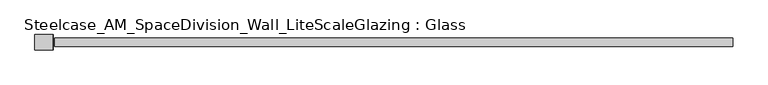
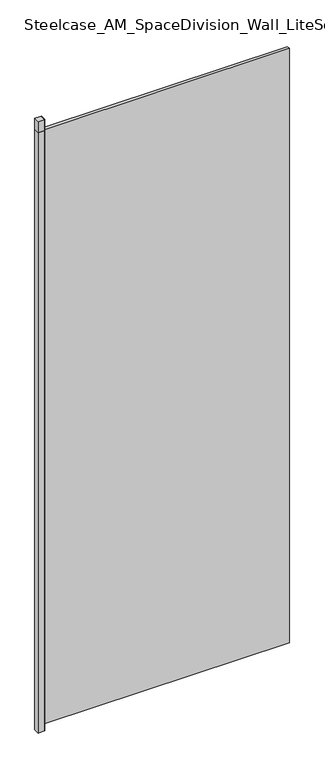
"""IFC4 building model written with IfcOpenShell, lengths in millimetres: plate geometry, Steelcase_AM_SpaceDivision_Wall_LiteScaleGlazing : Glass."""

import ifcopenshell
import ifcopenshell.guid

model = None  # the IFC model being written
_history = None  # IfcOwnerHistory: only IFC2X3 demands one
_inside = {}  # id of a spatial element -> (the spatial element, [elements in it])
_under = {}  # id of a project, library or spatial element -> (it, [spatial elements below it])
_declared = {}  # id of a project -> (the project, [libraries it declares])
_typed = {}  # id of a type object -> (the type object, [elements of that type])
_made_of = {}  # id of a material, layer set ... -> (it, [elements and type objects made of it])


def new_model(schema):
    """Start an empty IFC model of exactly this schema.

    Asked for "IFC4X3", IfcOpenShell would pick the latest addendum, in which some entities
    have other attributes; the version numbers below select the first issue.
    IFC2X3 requires an IfcOwnerHistory on every rooted entity: one is made here for all.
    """
    global model, _history
    if schema == "IFC4X3":
        model = ifcopenshell.file(schema_version=(4, 3, 0, 0))
    else:
        model = ifcopenshell.file(schema=schema)
    _inside.clear()
    _under.clear()
    _declared.clear()
    _typed.clear()
    _made_of.clear()
    _history = None
    if model.schema == "IFC2X3":
        org = make("IfcOrganization", Name="unknown")
        user = make(
            "IfcPersonAndOrganization",
            ThePerson=make("IfcPerson", FamilyName="unknown"),
            TheOrganization=org,
        )
        app = make(
            "IfcApplication",
            ApplicationDeveloper=org,
            Version="unknown",
            ApplicationFullName="unknown",
            ApplicationIdentifier="unknown",
        )
        _history = make(
            "IfcOwnerHistory",
            OwningUser=user,
            OwningApplication=app,
            ChangeAction="ADDED",
            CreationDate=0,
        )
    return model


def make(cls, **values):
    """One entity of the class cls with the attributes given. An attribute that is None is left unset."""
    return model.create_entity(
        cls, **{name: value for name, value in values.items() if value is not None}
    )


def rooted(cls, **values):
    """An entity with a GlobalId (a new one), such as an element, a storey or a relation."""
    return make(cls, GlobalId=ifcopenshell.guid.new(), OwnerHistory=_history, **values)


def si_unit(unit_type, name, prefix=None):
    """IfcSIUnit, for example si_unit("LENGTHUNIT", "METRE", prefix="MILLI")."""
    return make("IfcSIUnit", UnitType=unit_type, Prefix=prefix, Name=name)


def assignment(units):
    """IfcUnitAssignment: the units of a project."""
    return None if units is None else make("IfcUnitAssignment", Units=units)


def point(xyz):
    """IfcCartesianPoint."""
    return None if xyz is None else make("IfcCartesianPoint", Coordinates=xyz)


def direction(xyz):
    """IfcDirection."""
    return None if xyz is None else make("IfcDirection", DirectionRatios=xyz)


def frame(location, z_axis=None, x_axis=None):
    """IfcAxis2Placement3D, a coordinate frame: its origin and axes. An axis left out is left unset."""
    return make(
        "IfcAxis2Placement3D",
        Location=point(location),
        Axis=direction(z_axis),
        RefDirection=direction(x_axis),
    )


def origin():
    """The frame at (0, 0, 0) with its axes left unset."""
    return frame((0.0, 0.0, 0.0))


def origin_with_axes():
    """The frame at (0, 0, 0) with the z axis (0, 0, 1) and the x axis (1, 0, 0) written out."""
    return frame((0.0, 0.0, 0.0), z_axis=(0.0, 0.0, 1.0), x_axis=(1.0, 0.0, 0.0))


def place(relative_to, where):
    """IfcLocalPlacement: puts the frame where relative to a parent placement (None: the world)."""
    return make(
        "IfcLocalPlacement", PlacementRelTo=relative_to, RelativePlacement=where
    )


def context(
    kind, dimensions, precision=None, world=None, true_north=None, identifier=None
):
    """IfcGeometricRepresentationContext, for example the 3D "Model" context."""
    return make(
        "IfcGeometricRepresentationContext",
        ContextIdentifier=identifier,
        ContextType=kind,
        CoordinateSpaceDimension=dimensions,
        Precision=precision,
        WorldCoordinateSystem=world,
        TrueNorth=true_north,
    )


def project(units=None, contexts=None):
    """IfcProject with its units and contexts."""
    return rooted(
        "IfcProject",
        Name="project",
        RepresentationContexts=contexts,
        UnitsInContext=assignment(units),
    )


def spatial(cls, under=None, at=None, **own):
    """A site, building, storey or space (cls), placed at a placement, below another one or the project."""
    s = rooted(cls, ObjectPlacement=at, **own)
    if under is not None:
        _under.setdefault(under.id(), (under, []))[1].append(s)
    return s


def polyline(points):
    """IfcPolyline through the points."""
    return make("IfcPolyline", Points=[point(p) for p in points])


def outline(outer, holes=None, kind="AREA"):
    """IfcArbitraryClosedProfileDef: a profile drawn as a closed curve; with holes, ...WithVoids."""
    if holes is None:
        return make("IfcArbitraryClosedProfileDef", ProfileType=kind, OuterCurve=outer)
    return make(
        "IfcArbitraryProfileDefWithVoids",
        ProfileType=kind,
        OuterCurve=outer,
        InnerCurves=holes,
    )


def extrude(swept, where, along, depth):
    """IfcExtrudedAreaSolid: the profile swept, set in the frame where, extruded along a direction by depth."""
    return make(
        "IfcExtrudedAreaSolid",
        SweptArea=swept,
        Position=where,
        ExtrudedDirection=direction(along),
        Depth=depth,
    )


def shape(context_of_items, identifier, shape_type, items):
    """IfcShapeRepresentation: the items that make up one representation, for example the "Body"."""
    return make(
        "IfcShapeRepresentation",
        ContextOfItems=context_of_items,
        RepresentationIdentifier=identifier,
        RepresentationType=shape_type,
        Items=items,
    )


def source(mapping_origin, context_of_items, identifier, shape_type, items):
    """IfcRepresentationMap: a shape defined once, which mapped items show again and again."""
    return make(
        "IfcRepresentationMap",
        MappingOrigin=mapping_origin,
        MappedRepresentation=shape(context_of_items, identifier, shape_type, items),
    )


def transform(
    local_origin,
    x_axis=None,
    y_axis=None,
    z_axis=None,
    scale=None,
    scale2=None,
    scale3=None,
    uniform=True,
):
    """IfcCartesianTransformationOperator3D, or its non-uniform kind. x_axis, y_axis, z_axis: its Axis1, 2, 3."""
    if uniform:
        return make(
            "IfcCartesianTransformationOperator3D",
            Axis1=direction(x_axis),
            Axis2=direction(y_axis),
            LocalOrigin=point(local_origin),
            Scale=scale,
            Axis3=direction(z_axis),
        )
    return make(
        "IfcCartesianTransformationOperator3DnonUniform",
        Axis1=direction(x_axis),
        Axis2=direction(y_axis),
        LocalOrigin=point(local_origin),
        Scale=scale,
        Axis3=direction(z_axis),
        Scale2=scale2,
        Scale3=scale3,
    )


def mapped(mapping_source, mapping_target):
    """IfcMappedItem: shows the shape of a source again, moved by a transform."""
    return make(
        "IfcMappedItem", MappingSource=mapping_source, MappingTarget=mapping_target
    )


def made_of(thing, what):
    """Note that an element or type object is made of a material, layer set ...; save() writes the relation."""
    if what is not None:
        _made_of.setdefault(what.id(), (what, []))[1].append(thing)
    return thing


def element(
    cls,
    number,
    at=None,
    inside=None,
    cuts=None,
    type_object=None,
    material=None,
    context=None,
    identifier="Body",
    shape_type=None,
    held_by="IfcProductDefinitionShape",
    body=None,
    shapes=None,
    **own,
):
    """One element of the class cls, such as IfcWall. Its Tag is "e" and its number.

    at: its placement. inside: the storey or other place that contains it. cuts: it is an
    opening in that element (IfcRelVoidsElement). A single representation is given by context,
    identifier, shape_type and body (its items); several are given by shapes. held_by: the class
    of the entity that holds the representations. save() writes the other relations.
    """
    e = rooted(cls, Tag="e%d" % number, ObjectPlacement=at, **own)
    if body is not None:
        shapes = [shape(context, identifier, shape_type, body)]
    if shapes is not None:
        e.Representation = make(held_by, Representations=shapes)
    if inside is not None:
        _inside.setdefault(inside.id(), (inside, []))[1].append(e)
    if cuts is not None:
        rooted(
            "IfcRelVoidsElement", RelatingBuildingElement=cuts, RelatedOpeningElement=e
        )
    if type_object is not None:
        _typed.setdefault(type_object.id(), (type_object, []))[1].append(e)
    return made_of(e, material)


def aggregate(whole, parts):
    """IfcRelAggregates: a whole, such as a stair, and the parts it consists of."""
    return rooted("IfcRelAggregates", RelatingObject=whole, RelatedObjects=parts)


def save(model, path):
    """Write the relations noted so far, then the file.

    IfcRelAggregates (storeys below a building ...), IfcRelContainedInSpatialStructure (elements
    in a storey), IfcRelDefinesByType, IfcRelAssociatesMaterial and IfcRelDeclares: one each for
    every whole, place, type object, material and project.
    """
    for whole, parts in _under.values():
        aggregate(whole, parts)
    for where, things in _inside.values():
        rooted(
            "IfcRelContainedInSpatialStructure",
            RelatedElements=things,
            RelatingStructure=where,
        )
    for kind, things in _typed.values():
        rooted("IfcRelDefinesByType", RelatedObjects=things, RelatingType=kind)
    for what, things in _made_of.values():
        rooted("IfcRelAssociatesMaterial", RelatedObjects=things, RelatingMaterial=what)
    for by, libraries in _declared.values():
        rooted("IfcRelDeclares", RelatingContext=by, RelatedDefinitions=libraries)
    model.write(path)


def steelcase_am_spacedivision_wall_litescaleglazing_glass_37e0e2e6(model_context):
    return source(origin(), model_context, "Body", "SweptSolid", [
        extrude(outline(polyline([(-523.3177865, 11.7474777), (-523.3177865, -11.7475002), (-550.3052531, -11.7475002), (-550.3052531, 11.7474777), (-523.3177865, 11.7474777)])), frame((0.0, 0.0, 2665.984), z_axis=(0.0, 0.0, 1.0), x_axis=(1.0, 0.0, 0.0)), (0.0, 0.0, 1.0), 49.276),
        extrude(outline(polyline([(-550.3052531, 11.7474777), (-523.3177865, 11.7474777), (-523.3177865, 6.3500051), (-545.8130283, 6.3500051), (-545.8130283, -6.3896792), (-523.3177865, -6.3896792), (-523.3177865, -11.7475002), (-550.3052531, -11.7475002), (-550.3052531, 11.7474777)])), frame((0.0, 0.0, -27.8638004), z_axis=(0.0, 0.0, 1.0), x_axis=(1.0, 0.0, 0.0)), (0.0, 0.0, 1.0), 2693.8478004),
        extrude(outline(polyline([(-523.3177865, 11.7474777), (-522.2890575, 11.7474777), (-522.2890575, -11.7474954), (-523.3177865, -11.7474954), (-523.3177865, 11.7474777)])), frame((0.0, 0.0, -27.8638004), z_axis=(0.0, 0.0, 1.0), x_axis=(1.0, 0.0, 0.0)), (0.0, 0.0, 1.0), 2743.1238004),
        extrude(outline(polyline([(-520.2570575, -6.349956), (-520.2570575, 6.3502015), (520.2570575, 6.3502015), (520.2570575, -6.349956), (-520.2570575, -6.349956)])), origin_with_axes(), (0.0, 0.0, 1.0), 2665.984),
    ])


if __name__ == "__main__":
    model = new_model("IFC4")
    model_context = context("Model", 3, world=origin())
    ifc_project = project(units=[si_unit("LENGTHUNIT", "METRE", prefix="MILLI")], contexts=[model_context])
    site = spatial("IfcSite", under=ifc_project)
    building = spatial("IfcBuilding", under=site)
    placement = place(None, origin())
    steelcase_am_spacedivision_wall_litescaleglazing_glass_shape = steelcase_am_spacedivision_wall_litescaleglazing_glass_37e0e2e6(model_context)
    element("IfcPlate", 1, ObjectType="Steelcase_AM_SpaceDivision_Wall_LiteScaleGlazing : Glass", at=placement, inside=building, context=model_context, shape_type="MappedRepresentation", body=[
        mapped(steelcase_am_spacedivision_wall_litescaleglazing_glass_shape, transform((0.0, 0.0, 0.0), x_axis=(1.0, 0.0, 0.0), y_axis=(0.0, 1.0, 0.0), z_axis=(0.0, 0.0, 1.0))),
    ])
    save(model, "model.ifc")
